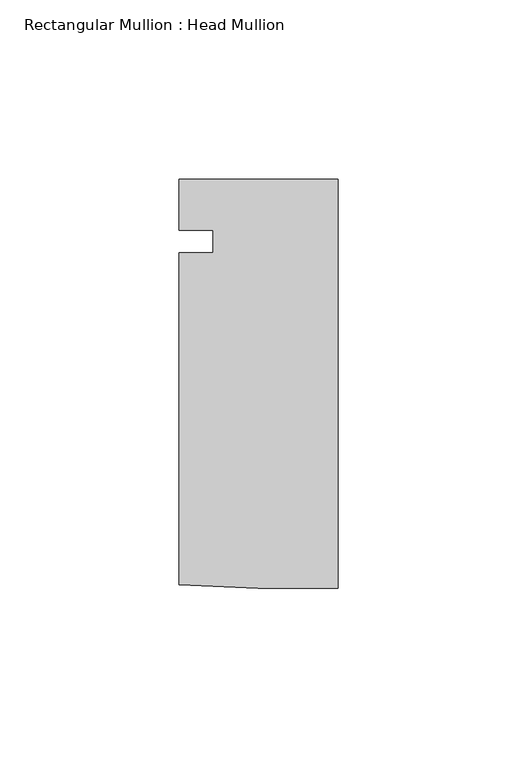
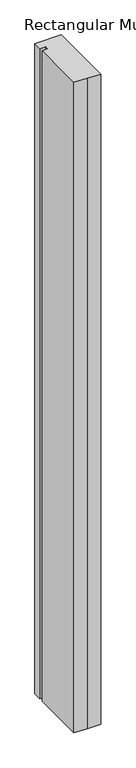
"""IFC4 building model written with IfcOpenShell, lengths in millimetres: member geometry, Rectangular Mullion : Head Mullion."""

from ifc_helpers import new_model, si_unit, frame, origin, place, context, project, spatial, polyline, outline, extrude, source, transform, mapped, element, save


def rectangular_mullion_head_mullion_3f9a48be(model_context):
    return source(origin(), model_context, "Body", "SweptSolid", [
        extrude(outline(polyline([(0.0, -96.8756001), (-22.3518628, -96.8756001), (-44.45, -95.8603345), (-44.45, -3.175), (-34.8996, -3.175), (-34.8996, 3.175), (-44.45, 3.175), (-44.45, 17.4243999), (0.0, 17.4243999), (0.0, -96.8756001)])), frame((0.0, 0.0, -1152.525), z_axis=(0.0, 0.0, 1.0), x_axis=(1.0, 0.0, 0.0)), (0.0, 0.0, 1.0), 1152.525),
    ])


if __name__ == "__main__":
    model = new_model("IFC4")
    model_context = context("Model", 3, world=origin())
    ifc_project = project(units=[si_unit("LENGTHUNIT", "METRE", prefix="MILLI")], contexts=[model_context])
    site = spatial("IfcSite", under=ifc_project)
    building = spatial("IfcBuilding", under=site)
    placement = place(None, origin())
    rectangular_mullion_head_mullion_shape = rectangular_mullion_head_mullion_3f9a48be(model_context)
    element("IfcMember", 1, ObjectType="Rectangular Mullion : Head Mullion", at=placement, inside=building, context=model_context, shape_type="MappedRepresentation", body=[
        mapped(rectangular_mullion_head_mullion_shape, transform((0.0, 0.0, 0.0), x_axis=(1.0, 0.0, 0.0), y_axis=(0.0, 1.0, 0.0), z_axis=(0.0, 0.0, 1.0))),
    ])
    save(model, "model.ifc")
